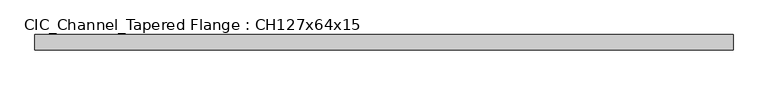
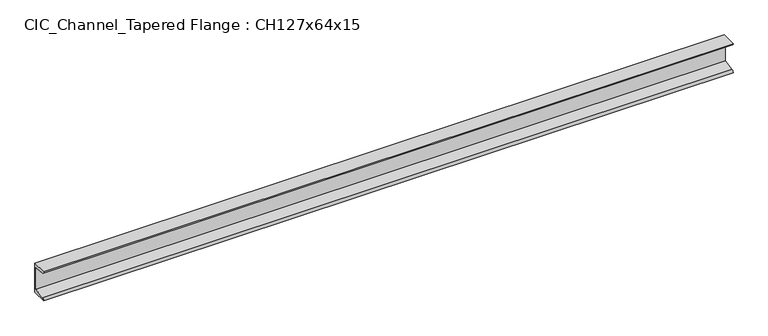
"""IFC4 building model written with IfcOpenShell, lengths in millimetres: beam geometry, CIC_Channel_Tapered Flange : CH127x64x15."""

from ifc_helpers import new_model, si_unit, point, frame, frame_2d, origin, place, context, project, spatial, polyline, circle_curve, trimmed, segment, composite_curve, outline, extrude, source, transform, mapped, element, save


def cic_channel_tapered_flange_ch127x64x15_3f5a3ffd(model_context):
    return source(origin(), model_context, "Body", "SweptSolid", [
        extrude(outline(composite_curve([segment(polyline([(19.4, 63.5), (19.4, -63.5), (-44.1, -63.5)]), True, "CONTINUOUS"), segment(trimmed(circle_curve(frame_2d((-34.9, -63.5)), 9.2), [point((-44.1, -63.5))], [point((-34.9, -54.3))], False, "CARTESIAN"), True, "CONTINUOUS"), segment(polyline([(-34.9, -54.3), (13.0, -46.7133853), (13.0, 46.7133853), (-34.9, 54.3)]), True, "CONTINUOUS"), segment(trimmed(circle_curve(frame_2d((-34.9, 63.5)), 9.2), [point((-34.9, 54.3))], [point((-44.1, 63.5))], False, "CARTESIAN"), True, "CONTINUOUS"), segment(polyline([(-44.1, 63.5), (19.4, 63.5)]), True, "CONTINUOUS")], self_intersect=False)), frame((-1430.0, 0.0, 0.0), z_axis=(1.0, 0.0, 0.0), x_axis=(0.0, 1.0, 0.0)), (0.0, 0.0, 1.0), 2860.0),
    ])


if __name__ == "__main__":
    model = new_model("IFC4")
    model_context = context("Model", 3, world=origin())
    ifc_project = project(units=[si_unit("LENGTHUNIT", "METRE", prefix="MILLI")], contexts=[model_context])
    site = spatial("IfcSite", under=ifc_project)
    building = spatial("IfcBuilding", under=site)
    placement = place(None, origin())
    cic_channel_tapered_flange_ch127x64x15_shape = cic_channel_tapered_flange_ch127x64x15_3f5a3ffd(model_context)
    element("IfcBeam", 1, ObjectType="CIC_Channel_Tapered Flange : CH127x64x15", at=placement, inside=building, context=model_context, shape_type="MappedRepresentation", body=[
        mapped(cic_channel_tapered_flange_ch127x64x15_shape, transform((0.0, 0.0, 0.0), x_axis=(1.0, 0.0, 0.0), y_axis=(0.0, 1.0, 0.0), z_axis=(0.0, 0.0, 1.0))),
    ])
    save(model, "model.ifc")
